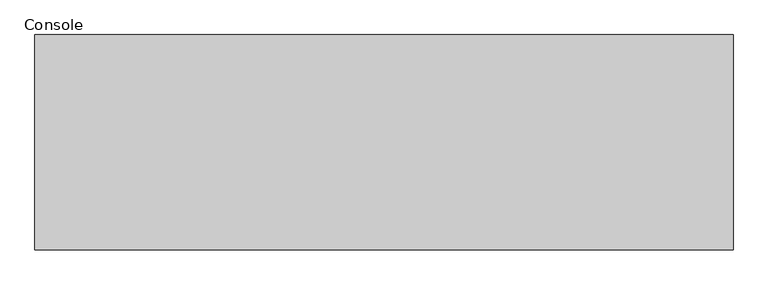
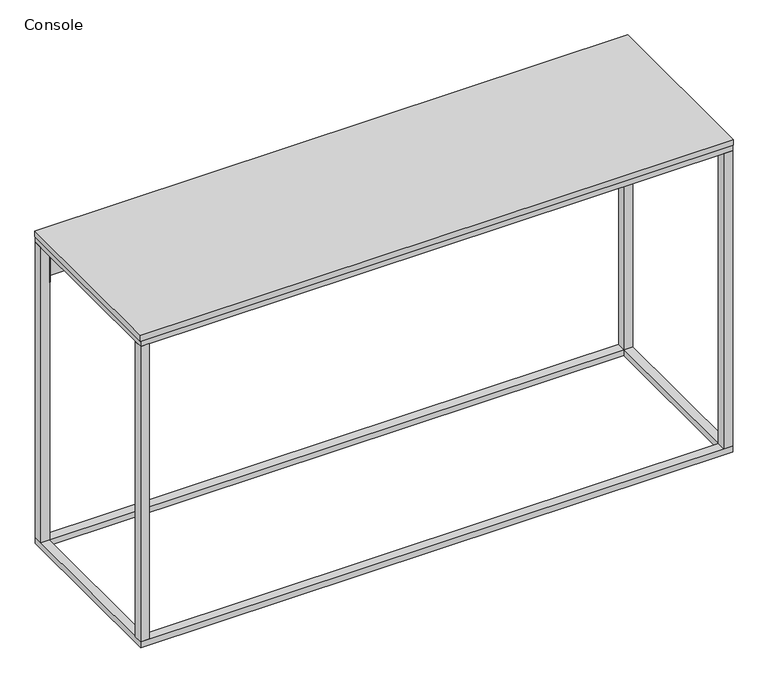
"""IFC4 building model written with IfcOpenShell, lengths in millimetres: furniture geometry, Console."""

from ifc_helpers import new_model, si_unit, frame, origin, origin_with_axes, place, context, project, spatial, polyline, outline, extrude, source, transform, mapped, element, save


def console_c8a5fa45(model_context):
    return source(origin(), model_context, "Body", "SweptSolid", [
        extrude(outline(polyline([(-640.4255742, 182.6637871), (-640.4255742, 203.2), (640.4255742, 203.2), (640.4255742, 182.6637871), (639.1555742, 182.6637871), (639.1555742, 201.93), (-639.1555742, 201.93), (-639.1555742, 182.6637871), (-640.4255742, 182.6637871)])), frame((0.0, 0.0, 620.9703255), z_axis=(0.0, 0.0, 1.0), x_axis=(1.0, 0.0, 0.0)), (0.0, 0.0, 1.0), 89.3418608),
        extrude(outline(polyline([(661.0259312, 203.8308174), (661.0259312, -203.8308174), (-661.0259312, -203.8308174), (-661.0259312, 203.8308174), (661.0259312, 203.8308174)])), frame((0.0, 0.0, 723.5443321), z_axis=(0.0, 0.0, 1.0), x_axis=(1.0, 0.0, 0.0)), (0.0, 0.0, 1.0), 13.0556679),
        extrude(outline(polyline([(-660.4, 182.6637871), (-660.4, 203.2), (-640.4255742, 203.2), (-640.4255742, 182.6637871), (-660.4, 182.6637871)])), frame((0.0, 0.0, 13.5369653), z_axis=(0.0, 0.0, 1.0), x_axis=(1.0, 0.0, 0.0)), (0.0, 0.0, 1.0), 696.775221),
        extrude(outline(polyline([(660.4, 182.6637871), (640.4255742, 182.6637871), (640.4255742, 203.2), (660.4, 203.2), (660.4, 182.6637871)])), frame((0.0, 0.0, 13.5369653), z_axis=(0.0, 0.0, 1.0), x_axis=(1.0, 0.0, 0.0)), (0.0, 0.0, 1.0), 696.775221),
        extrude(outline(polyline([(-660.4, -182.6637871), (-640.4255742, -182.6637871), (-640.4255742, -203.2), (-660.4, -203.2), (-660.4, -182.6637871)])), frame((0.0, 0.0, 13.5369653), z_axis=(0.0, 0.0, 1.0), x_axis=(1.0, 0.0, 0.0)), (0.0, 0.0, 1.0), 696.775221),
        extrude(outline(polyline([(660.4, -182.6637871), (660.4, -203.2), (640.4255742, -203.2), (640.4255742, -182.6637871), (660.4, -182.6637871)])), frame((0.0, 0.0, 13.5369653), z_axis=(0.0, 0.0, 1.0), x_axis=(1.0, 0.0, 0.0)), (0.0, 0.0, 1.0), 696.775221),
        extrude(outline(polyline([(-660.4, 203.2), (660.4, 203.2), (660.4, -203.2), (-660.4, -203.2), (-660.4, 203.2)]), holes=[polyline([(-640.4255742, 182.6637871), (-640.4255742, -182.6637871), (640.4255742, -182.6637871), (640.4255742, 182.6637871), (-640.4255742, 182.6637871)])]), origin_with_axes(), (0.0, 0.0, 1.0), 13.5369653),
        extrude(outline(polyline([(-660.4, 203.2), (660.4, 203.2), (660.4, -203.2), (-660.4, -203.2), (-660.4, 203.2)]), holes=[polyline([(-640.4255742, 182.6637871), (-640.4255742, -182.6637871), (640.4255742, -182.6637871), (640.4255742, 182.6637871), (-640.4255742, 182.6637871)])]), frame((0.0, 0.0, 710.3121862), z_axis=(0.0, 0.0, 1.0), x_axis=(1.0, 0.0, 0.0)), (0.0, 0.0, 1.0), 13.2321459),
    ])


if __name__ == "__main__":
    model = new_model("IFC4")
    model_context = context("Model", 3, world=origin())
    ifc_project = project(units=[si_unit("LENGTHUNIT", "METRE", prefix="MILLI")], contexts=[model_context])
    site = spatial("IfcSite", under=ifc_project)
    building = spatial("IfcBuilding", under=site)
    placement = place(None, origin())
    console_shape = console_c8a5fa45(model_context)
    element("IfcFurniture", 1, ObjectType="Console", at=placement, inside=building, context=model_context, shape_type="MappedRepresentation", body=[
        mapped(console_shape, transform((0.0, 0.0, 0.0), x_axis=(1.0, 0.0, 0.0), y_axis=(0.0, 1.0, 0.0), z_axis=(0.0, 0.0, 1.0))),
    ])
    save(model, "model.ifc")
